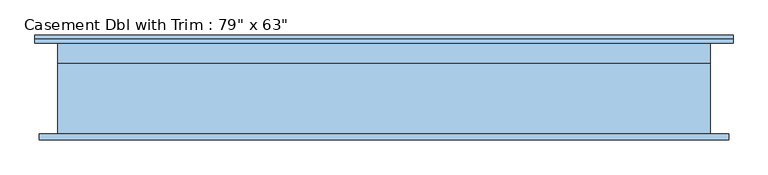
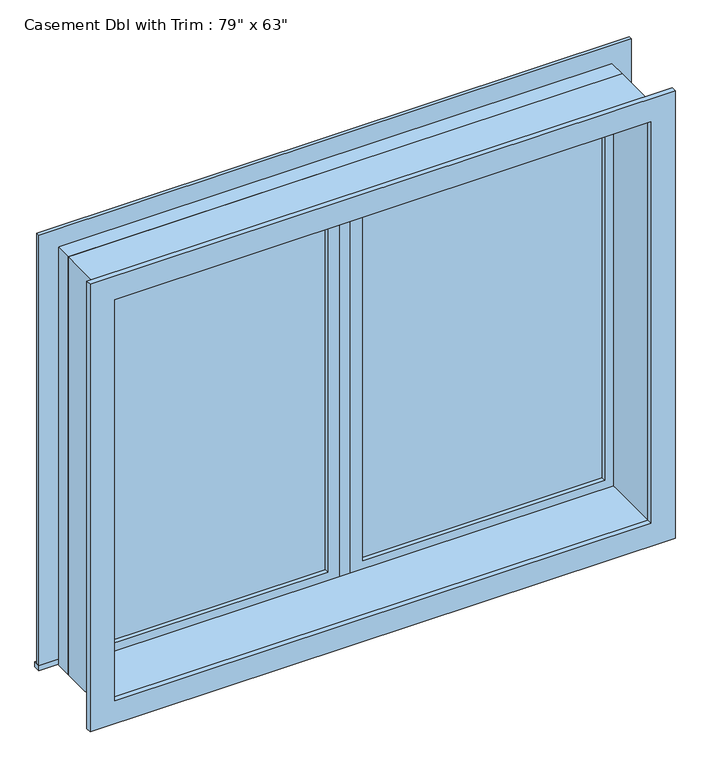
"""IFC4 building model written with IfcOpenShell, lengths in millimetres: window geometry."""

from ifc_helpers import new_model, si_unit, frame, origin, place, context, project, spatial, polyline, outline, extrude, source, transform, mapped, element, save


def window_0007bedd(model_context):
    return source(origin(), model_context, "Body", "SweptSolid", [
        extrude(outline(polyline([(63.5, 123.825), (939.8, 123.825), (939.8, 111.125), (63.5, 111.125), (63.5, 123.825)])), frame((0.0, 0.0, 673.1), z_axis=(0.0, 0.0, 1.0), x_axis=(1.0, 0.0, 0.0)), (0.0, 0.0, 1.0), 1473.2),
        extrude(outline(polyline([(2190.75, 19.05), (628.65, 19.05), (628.65, 984.25), (2190.75, 984.25), (2190.75, 19.05)]), holes=[polyline([(2146.3, 63.5), (2146.3, 939.8), (673.1, 939.8), (673.1, 63.5), (2146.3, 63.5)])]), frame((0.0, 95.25, 0.0), z_axis=(0.0, 1.0, 0.0), x_axis=(0.0, 0.0, 1.0)), (0.0, 0.0, 1.0), 44.45),
        extrude(outline(polyline([(19.05, 95.25), (-19.05, 95.25), (-19.05, 158.75), (19.05, 158.75), (19.05, 95.25)])), frame((0.0, 0.0, 628.65), z_axis=(0.0, 0.0, 1.0), x_axis=(1.0, 0.0, 0.0)), (0.0, 0.0, 1.0), 1562.1),
        extrude(outline(polyline([(-1073.15, 184.15), (1073.15, 184.15), (1073.15, 158.75), (-1073.15, 158.75), (-1073.15, 184.15)])), frame((0.0, 0.0, 609.6), z_axis=(0.0, 0.0, 1.0), x_axis=(1.0, 0.0, 0.0)), (0.0, 0.0, 1.0), 19.05),
        extrude(outline(polyline([(2190.75, -984.25), (2190.75, 984.25), (628.65, 984.25), (628.65, 1073.15), (2279.65, 1073.15), (2279.65, -1073.15), (628.65, -1073.15), (628.65, -984.25), (2190.75, -984.25)])), frame((0.0, 158.75, 0.0), z_axis=(0.0, 1.0, 0.0), x_axis=(0.0, 0.0, 1.0)), (0.0, 0.0, 1.0), 12.7),
        extrude(outline(polyline([(2266.95, 1060.45), (2266.95, -1060.45), (552.45, -1060.45), (552.45, 1060.45), (2266.95, 1060.45)]), holes=[polyline([(2178.05, 971.55), (641.35, 971.55), (641.35, -971.55), (2178.05, -971.55), (2178.05, 971.55)])]), frame((0.0, -139.7, 0.0), z_axis=(0.0, 1.0, 0.0), x_axis=(0.0, 0.0, 1.0)), (0.0, 0.0, 1.0), 19.05),
        extrude(outline(polyline([(-63.5, 111.125), (-939.8, 111.125), (-939.8, 123.825), (-63.5, 123.825), (-63.5, 111.125)])), frame((0.0, 0.0, 673.1), z_axis=(0.0, 0.0, 1.0), x_axis=(1.0, 0.0, 0.0)), (0.0, 0.0, 1.0), 1473.2),
        extrude(outline(polyline([(2190.75, -984.25), (628.65, -984.25), (628.65, -19.05), (2190.75, -19.05), (2190.75, -984.25)]), holes=[polyline([(2146.3, -939.8), (2146.3, -63.5), (673.1, -63.5), (673.1, -939.8), (2146.3, -939.8)])]), frame((0.0, 95.25, 0.0), z_axis=(0.0, 1.0, 0.0), x_axis=(0.0, 0.0, 1.0)), (0.0, 0.0, 1.0), 44.45),
        extrude(outline(polyline([(2209.8, -1003.3), (609.6, -1003.3), (609.6, 1003.3), (2209.8, 1003.3), (2209.8, -1003.3)]), holes=[polyline([(2178.05, -971.55), (2178.05, 971.55), (641.35, 971.55), (641.35, -971.55), (2178.05, -971.55)])]), frame((0.0, -120.65, 0.0), z_axis=(0.0, 1.0, 0.0), x_axis=(0.0, 0.0, 1.0)), (0.0, 0.0, 1.0), 215.9),
        extrude(outline(polyline([(2209.8, 1003.3), (2209.8, -1003.3), (609.6, -1003.3), (609.6, 1003.3), (2209.8, 1003.3)]), holes=[polyline([(2190.75, 984.25), (628.65, 984.25), (628.65, -984.25), (2190.75, -984.25), (2190.75, 984.25)])]), frame((0.0, 95.25, 0.0), z_axis=(0.0, 1.0, 0.0), x_axis=(0.0, 0.0, 1.0)), (0.0, 0.0, 1.0), 63.5),
    ])


if __name__ == "__main__":
    model = new_model("IFC4")
    model_context = context("Model", 3, world=origin())
    ifc_project = project(units=[si_unit("LENGTHUNIT", "METRE", prefix="MILLI")], contexts=[model_context])
    site = spatial("IfcSite", under=ifc_project)
    building = spatial("IfcBuilding", under=site)
    placement = place(None, origin())
    window_shape = window_0007bedd(model_context)
    element("IfcWindow", 1, ObjectType="Casement Dbl with Trim : 79\" x 63\"", at=placement, inside=building, context=model_context, shape_type="MappedRepresentation", body=[
        mapped(window_shape, transform((0.0, 0.0, 0.0), x_axis=(1.0, 0.0, 0.0), y_axis=(0.0, 1.0, 0.0), z_axis=(0.0, 0.0, 1.0))),
    ])
    save(model, "model.ifc")
